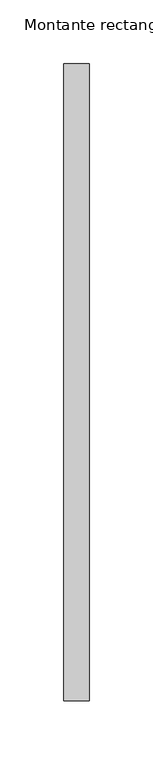
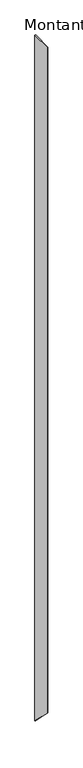
"""IFC4 building model written with IfcOpenShell, lengths in millimetres: member geometry, Montante rectangular."""

from ifc_helpers import new_model, si_unit, frame, origin, place, context, project, spatial, polyline, outline, extrude, source, transform, mapped, element, save


def montante_rectangular_8c6112e3(model_context):
    return source(origin(), model_context, "Body", "SweptSolid", [
        extrude(outline(polyline([(-250.0, 0.0), (250.0, 0.0), (250.0, -17120.0596212), (-250.0, -16620.0596212), (-250.0, 0.0)])), frame((-20.0, 0.0, 0.0), z_axis=(1.0, 0.0, 0.0), x_axis=(0.0, 1.0, 0.0)), (0.0, 0.0, 1.0), 20.0),
    ])


if __name__ == "__main__":
    model = new_model("IFC4")
    model_context = context("Model", 3, world=origin())
    ifc_project = project(units=[si_unit("LENGTHUNIT", "METRE", prefix="MILLI")], contexts=[model_context])
    site = spatial("IfcSite", under=ifc_project)
    building = spatial("IfcBuilding", under=site)
    placement = place(None, origin())
    montante_rectangular_shape = montante_rectangular_8c6112e3(model_context)
    element("IfcMember", 1, ObjectType="Montante rectangular", at=placement, inside=building, context=model_context, shape_type="MappedRepresentation", body=[
        mapped(montante_rectangular_shape, transform((0.0, 0.0, 0.0), x_axis=(1.0, 0.0, 0.0), y_axis=(0.0, 1.0, 0.0), z_axis=(0.0, 0.0, 1.0))),
    ])
    save(model, "model.ifc")
